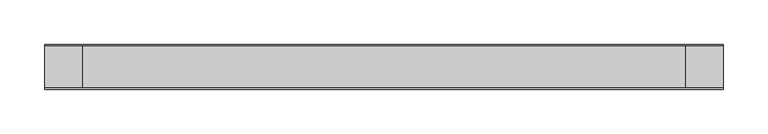
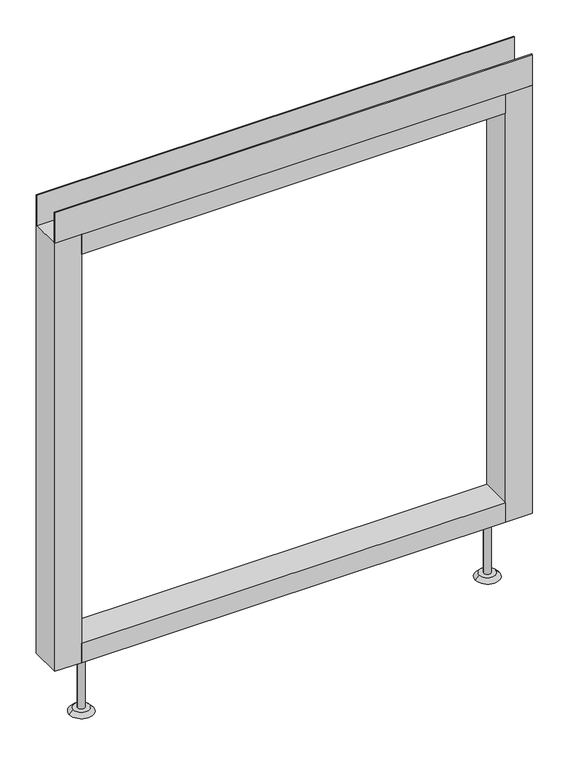
"""IFC4 building model written with IfcOpenShell, lengths in millimetres: furniture geometry."""

from ifc_helpers import new_model, si_unit, point, frame, frame_2d, origin, place, context, project, spatial, polyline, circle_curve, trimmed, segment, composite_curve, outline, extrude, source, transform, mapped, element, save
from ifc_brep_helpers import plane_surface, revolved_surface, advanced_brep


def furniture_33bd07d1(model_context):
    return source(origin(), model_context, "Body", "SolidModel", [
        advanced_brep(
        [(311.15, 0.0, 6.35), (336.55, 0.0, 6.35), (304.8, 0.0, 0.0), (342.9, 0.0, 0.0)],
        [
            (0, 1, circle_curve(frame((323.85, 0.0, 6.35), z_axis=(0.0, 0.0, 1.0), x_axis=(-1.0, 0.0, 0.0)), 12.7)),
            (1, 0, circle_curve(frame((323.85, 0.0, 6.35), z_axis=(0.0, 0.0, 1.0), x_axis=(1.0, 0.0, 0.0)), 12.7)),
            (2, 3, circle_curve(frame((323.85, 0.0, 0.0), z_axis=(0.0, 0.0, -1.0), x_axis=(1.0, 0.0, 0.0)), 19.05)),
            (3, 2, circle_curve(frame((323.85, 0.0, 0.0), z_axis=(0.0, 0.0, -1.0), x_axis=(-1.0, 0.0, 0.0)), 19.05)),
            (3, 1),
            (0, 2),
        ],
        [
            plane_surface(frame((323.85, 0.0, 6.35), z_axis=(0.0, 0.0, 1.0), x_axis=(0.0, -1.0, 0.0))),
            plane_surface(frame((323.85, 0.0, 0.0), z_axis=(0.0, 0.0, -1.0), x_axis=(0.0, -1.0, 0.0))),
            revolved_surface(polyline([(311.15000000000003, 0.0, 6.35), (304.8, 0.0, 0.0)]), (323.85, 0.0, 19.05), (0.0, 0.0, -1.0)),
            revolved_surface(polyline([(336.55, 0.0, 6.35), (342.9, 0.0, 0.0)]), (323.85, 0.0, 19.05), (0.0, 0.0, -1.0)),
        ],
        [
            (0, [[1, 2]]),
            (1, [[3, 4]]),
            (2, [[-4, 5, -1, 6]]),
            (3, [[-3, -6, -2, -5]]),
        ],
    ),
        advanced_brep(
        [(-336.55, 0.0, 6.35), (-311.15, 0.0, 6.35), (-342.9, 0.0, 0.0), (-304.8, 0.0, 0.0)],
        [
            (0, 1, circle_curve(frame((-323.85, 0.0, 6.35), z_axis=(0.0, 0.0, 1.0), x_axis=(-1.0, 0.0, 0.0)), 12.7)),
            (1, 0, circle_curve(frame((-323.85, 0.0, 6.35), z_axis=(0.0, 0.0, 1.0), x_axis=(1.0, 0.0, 0.0)), 12.7)),
            (2, 3, circle_curve(frame((-323.85, 0.0, 0.0), z_axis=(0.0, 0.0, -1.0), x_axis=(1.0, 0.0, 0.0)), 19.05)),
            (3, 2, circle_curve(frame((-323.85, 0.0, 0.0), z_axis=(0.0, 0.0, -1.0), x_axis=(-1.0, 0.0, 0.0)), 19.05)),
            (3, 1),
            (0, 2),
        ],
        [
            plane_surface(frame((-323.85, 0.0, 6.35), z_axis=(0.0, 0.0, 1.0), x_axis=(0.0, -1.0, 0.0))),
            plane_surface(frame((-323.85, 0.0, 0.0), z_axis=(0.0, 0.0, -1.0), x_axis=(0.0, -1.0, 0.0))),
            revolved_surface(polyline([(-336.55, 0.0, 6.35), (-342.9, 0.0, 0.0)]), (-323.85, 0.0, 19.05), (0.0, 0.0, -1.0)),
            revolved_surface(polyline([(-311.15000000000003, 0.0, 6.35), (-304.8, 0.0, 0.0)]), (-323.85, 0.0, 19.05), (0.0, 0.0, -1.0)),
        ],
        [
            (0, [[1, 2]]),
            (1, [[3, 4]]),
            (2, [[-4, 5, -1, 6]]),
            (3, [[-3, -6, -2, -5]]),
        ],
    ),
        extrude(outline(polyline([(381.0, -23.8125), (381.0, -25.4), (-381.0, -25.4), (-381.0, -23.8125), (381.0, -23.8125)])), frame((0.0, 0.0, 822.833), z_axis=(0.0, 0.0, 1.0), x_axis=(1.0, 0.0, 0.0)), (0.0, 0.0, 1.0), 51.435),
        extrude(outline(polyline([(381.0, 25.4), (381.0, 23.8125), (-381.0, 23.8125), (-381.0, 25.4), (381.0, 25.4)])), frame((0.0, 0.0, 822.833), z_axis=(0.0, 0.0, 1.0), x_axis=(1.0, 0.0, 0.0)), (0.0, 0.0, 1.0), 51.435),
        extrude(outline(polyline([(338.1375, -25.4), (-338.1375, -25.4), (-338.1375, 25.4), (338.1375, 25.4), (338.1375, -25.4)])), frame((0.0, 0.0, 789.94), z_axis=(0.0, 0.0, 1.0), x_axis=(1.0, 0.0, 0.0)), (0.0, 0.0, 1.0), 32.893),
        extrude(outline(polyline([(338.1375, -25.4), (-338.1375, -25.4), (-338.1375, 25.4), (338.1375, 25.4), (338.1375, -25.4)])), frame((0.0, 0.0, 101.6), z_axis=(0.0, 0.0, 1.0), x_axis=(1.0, 0.0, 0.0)), (0.0, 0.0, 1.0), 32.893),
        extrude(outline(composite_curve([segment(trimmed(circle_curve(frame_2d((-323.85, 0.0)), 5.55625), [point((-329.40625, 0.0))], [point((-318.29375, 0.0))], False, "CARTESIAN"), True, "CONTINUOUS"), segment(trimmed(circle_curve(frame_2d((-323.85, 0.0)), 5.55625), [point((-318.29375, 0.0))], [point((-329.40625, 0.0))], False, "CARTESIAN"), True, "CONTINUOUS")], self_intersect=False)), frame((0.0, 0.0, 6.35), z_axis=(0.0, 0.0, 1.0), x_axis=(1.0, 0.0, 0.0)), (0.0, 0.0, 1.0), 95.25),
        extrude(outline(composite_curve([segment(trimmed(circle_curve(frame_2d((323.85, 0.0)), 5.55625), [point((318.29375, 0.0))], [point((329.40625, 0.0))], False, "CARTESIAN"), True, "CONTINUOUS"), segment(trimmed(circle_curve(frame_2d((323.85, 0.0)), 5.55625), [point((329.40625, 0.0))], [point((318.29375, 0.0))], False, "CARTESIAN"), True, "CONTINUOUS")], self_intersect=False)), frame((0.0, 0.0, 6.35), z_axis=(0.0, 0.0, 1.0), x_axis=(1.0, 0.0, 0.0)), (0.0, 0.0, 1.0), 95.25),
        extrude(outline(polyline([(-338.1375, -25.4), (-381.0, -25.4), (-381.0, 25.4), (-338.1375, 25.4), (-338.1375, -25.4)])), frame((0.0, 0.0, 101.6), z_axis=(0.0, 0.0, 1.0), x_axis=(1.0, 0.0, 0.0)), (0.0, 0.0, 1.0), 721.233),
        extrude(outline(polyline([(381.0, -25.4), (338.1375, -25.4), (338.1375, 25.4), (381.0, 25.4), (381.0, -25.4)])), frame((0.0, 0.0, 101.6), z_axis=(0.0, 0.0, 1.0), x_axis=(1.0, 0.0, 0.0)), (0.0, 0.0, 1.0), 721.233),
    ])


if __name__ == "__main__":
    model = new_model("IFC4")
    model_context = context("Model", 3, world=origin())
    ifc_project = project(units=[si_unit("LENGTHUNIT", "METRE", prefix="MILLI")], contexts=[model_context])
    site = spatial("IfcSite", under=ifc_project)
    building = spatial("IfcBuilding", under=site)
    placement = place(None, origin())
    furniture_shape = furniture_33bd07d1(model_context)
    element("IfcFurniture", 1, at=placement, inside=building, context=model_context, shape_type="MappedRepresentation", body=[
        mapped(furniture_shape, transform((0.0, 0.0, 0.0), x_axis=(1.0, 0.0, 0.0), y_axis=(0.0, 1.0, 0.0), z_axis=(0.0, 0.0, 1.0))),
    ])
    save(model, "model.ifc")
